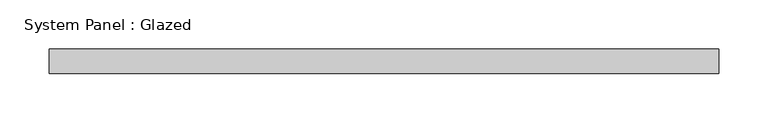
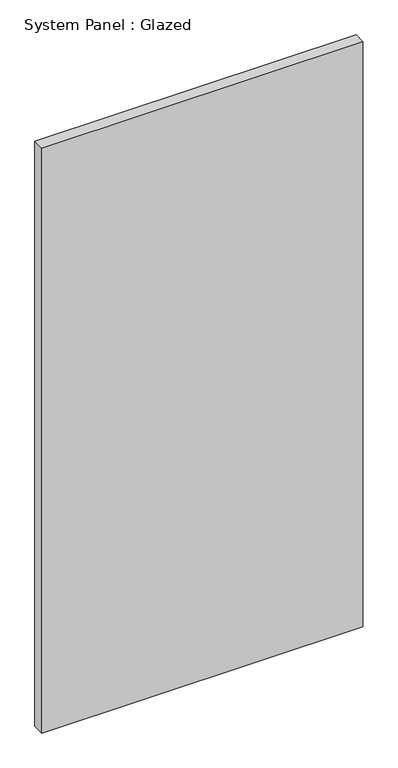
"""IFC4 building model written with IfcOpenShell, lengths in millimetres: plate geometry, System Panel : Glazed."""

import ifcopenshell
import ifcopenshell.guid

model = None  # the IFC model being written
_history = None  # IfcOwnerHistory: only IFC2X3 demands one
_inside = {}  # id of a spatial element -> (the spatial element, [elements in it])
_under = {}  # id of a project, library or spatial element -> (it, [spatial elements below it])
_declared = {}  # id of a project -> (the project, [libraries it declares])
_typed = {}  # id of a type object -> (the type object, [elements of that type])
_made_of = {}  # id of a material, layer set ... -> (it, [elements and type objects made of it])


def new_model(schema):
    """Start an empty IFC model of exactly this schema.

    Asked for "IFC4X3", IfcOpenShell would pick the latest addendum, in which some entities
    have other attributes; the version numbers below select the first issue.
    IFC2X3 requires an IfcOwnerHistory on every rooted entity: one is made here for all.
    """
    global model, _history
    if schema == "IFC4X3":
        model = ifcopenshell.file(schema_version=(4, 3, 0, 0))
    else:
        model = ifcopenshell.file(schema=schema)
    _inside.clear()
    _under.clear()
    _declared.clear()
    _typed.clear()
    _made_of.clear()
    _history = None
    if model.schema == "IFC2X3":
        org = make("IfcOrganization", Name="unknown")
        user = make(
            "IfcPersonAndOrganization",
            ThePerson=make("IfcPerson", FamilyName="unknown"),
            TheOrganization=org,
        )
        app = make(
            "IfcApplication",
            ApplicationDeveloper=org,
            Version="unknown",
            ApplicationFullName="unknown",
            ApplicationIdentifier="unknown",
        )
        _history = make(
            "IfcOwnerHistory",
            OwningUser=user,
            OwningApplication=app,
            ChangeAction="ADDED",
            CreationDate=0,
        )
    return model


def make(cls, **values):
    """One entity of the class cls with the attributes given. An attribute that is None is left unset."""
    return model.create_entity(
        cls, **{name: value for name, value in values.items() if value is not None}
    )


def rooted(cls, **values):
    """An entity with a GlobalId (a new one), such as an element, a storey or a relation."""
    return make(cls, GlobalId=ifcopenshell.guid.new(), OwnerHistory=_history, **values)


def si_unit(unit_type, name, prefix=None):
    """IfcSIUnit, for example si_unit("LENGTHUNIT", "METRE", prefix="MILLI")."""
    return make("IfcSIUnit", UnitType=unit_type, Prefix=prefix, Name=name)


def assignment(units):
    """IfcUnitAssignment: the units of a project."""
    return None if units is None else make("IfcUnitAssignment", Units=units)


def point(xyz):
    """IfcCartesianPoint."""
    return None if xyz is None else make("IfcCartesianPoint", Coordinates=xyz)


def direction(xyz):
    """IfcDirection."""
    return None if xyz is None else make("IfcDirection", DirectionRatios=xyz)


def frame(location, z_axis=None, x_axis=None):
    """IfcAxis2Placement3D, a coordinate frame: its origin and axes. An axis left out is left unset."""
    return make(
        "IfcAxis2Placement3D",
        Location=point(location),
        Axis=direction(z_axis),
        RefDirection=direction(x_axis),
    )


def origin():
    """The frame at (0, 0, 0) with its axes left unset."""
    return frame((0.0, 0.0, 0.0))


def origin_with_axes():
    """The frame at (0, 0, 0) with the z axis (0, 0, 1) and the x axis (1, 0, 0) written out."""
    return frame((0.0, 0.0, 0.0), z_axis=(0.0, 0.0, 1.0), x_axis=(1.0, 0.0, 0.0))


def place(relative_to, where):
    """IfcLocalPlacement: puts the frame where relative to a parent placement (None: the world)."""
    return make(
        "IfcLocalPlacement", PlacementRelTo=relative_to, RelativePlacement=where
    )


def context(
    kind, dimensions, precision=None, world=None, true_north=None, identifier=None
):
    """IfcGeometricRepresentationContext, for example the 3D "Model" context."""
    return make(
        "IfcGeometricRepresentationContext",
        ContextIdentifier=identifier,
        ContextType=kind,
        CoordinateSpaceDimension=dimensions,
        Precision=precision,
        WorldCoordinateSystem=world,
        TrueNorth=true_north,
    )


def project(units=None, contexts=None):
    """IfcProject with its units and contexts."""
    return rooted(
        "IfcProject",
        Name="project",
        RepresentationContexts=contexts,
        UnitsInContext=assignment(units),
    )


def spatial(cls, under=None, at=None, **own):
    """A site, building, storey or space (cls), placed at a placement, below another one or the project."""
    s = rooted(cls, ObjectPlacement=at, **own)
    if under is not None:
        _under.setdefault(under.id(), (under, []))[1].append(s)
    return s


def polyline(points):
    """IfcPolyline through the points."""
    return make("IfcPolyline", Points=[point(p) for p in points])


def outline(outer, holes=None, kind="AREA"):
    """IfcArbitraryClosedProfileDef: a profile drawn as a closed curve; with holes, ...WithVoids."""
    if holes is None:
        return make("IfcArbitraryClosedProfileDef", ProfileType=kind, OuterCurve=outer)
    return make(
        "IfcArbitraryProfileDefWithVoids",
        ProfileType=kind,
        OuterCurve=outer,
        InnerCurves=holes,
    )


def extrude(swept, where, along, depth):
    """IfcExtrudedAreaSolid: the profile swept, set in the frame where, extruded along a direction by depth."""
    return make(
        "IfcExtrudedAreaSolid",
        SweptArea=swept,
        Position=where,
        ExtrudedDirection=direction(along),
        Depth=depth,
    )


def shape(context_of_items, identifier, shape_type, items):
    """IfcShapeRepresentation: the items that make up one representation, for example the "Body"."""
    return make(
        "IfcShapeRepresentation",
        ContextOfItems=context_of_items,
        RepresentationIdentifier=identifier,
        RepresentationType=shape_type,
        Items=items,
    )


def source(mapping_origin, context_of_items, identifier, shape_type, items):
    """IfcRepresentationMap: a shape defined once, which mapped items show again and again."""
    return make(
        "IfcRepresentationMap",
        MappingOrigin=mapping_origin,
        MappedRepresentation=shape(context_of_items, identifier, shape_type, items),
    )


def transform(
    local_origin,
    x_axis=None,
    y_axis=None,
    z_axis=None,
    scale=None,
    scale2=None,
    scale3=None,
    uniform=True,
):
    """IfcCartesianTransformationOperator3D, or its non-uniform kind. x_axis, y_axis, z_axis: its Axis1, 2, 3."""
    if uniform:
        return make(
            "IfcCartesianTransformationOperator3D",
            Axis1=direction(x_axis),
            Axis2=direction(y_axis),
            LocalOrigin=point(local_origin),
            Scale=scale,
            Axis3=direction(z_axis),
        )
    return make(
        "IfcCartesianTransformationOperator3DnonUniform",
        Axis1=direction(x_axis),
        Axis2=direction(y_axis),
        LocalOrigin=point(local_origin),
        Scale=scale,
        Axis3=direction(z_axis),
        Scale2=scale2,
        Scale3=scale3,
    )


def mapped(mapping_source, mapping_target):
    """IfcMappedItem: shows the shape of a source again, moved by a transform."""
    return make(
        "IfcMappedItem", MappingSource=mapping_source, MappingTarget=mapping_target
    )


def made_of(thing, what):
    """Note that an element or type object is made of a material, layer set ...; save() writes the relation."""
    if what is not None:
        _made_of.setdefault(what.id(), (what, []))[1].append(thing)
    return thing


def element(
    cls,
    number,
    at=None,
    inside=None,
    cuts=None,
    type_object=None,
    material=None,
    context=None,
    identifier="Body",
    shape_type=None,
    held_by="IfcProductDefinitionShape",
    body=None,
    shapes=None,
    **own,
):
    """One element of the class cls, such as IfcWall. Its Tag is "e" and its number.

    at: its placement. inside: the storey or other place that contains it. cuts: it is an
    opening in that element (IfcRelVoidsElement). A single representation is given by context,
    identifier, shape_type and body (its items); several are given by shapes. held_by: the class
    of the entity that holds the representations. save() writes the other relations.
    """
    e = rooted(cls, Tag="e%d" % number, ObjectPlacement=at, **own)
    if body is not None:
        shapes = [shape(context, identifier, shape_type, body)]
    if shapes is not None:
        e.Representation = make(held_by, Representations=shapes)
    if inside is not None:
        _inside.setdefault(inside.id(), (inside, []))[1].append(e)
    if cuts is not None:
        rooted(
            "IfcRelVoidsElement", RelatingBuildingElement=cuts, RelatedOpeningElement=e
        )
    if type_object is not None:
        _typed.setdefault(type_object.id(), (type_object, []))[1].append(e)
    return made_of(e, material)


def aggregate(whole, parts):
    """IfcRelAggregates: a whole, such as a stair, and the parts it consists of."""
    return rooted("IfcRelAggregates", RelatingObject=whole, RelatedObjects=parts)


def save(model, path):
    """Write the relations noted so far, then the file.

    IfcRelAggregates (storeys below a building ...), IfcRelContainedInSpatialStructure (elements
    in a storey), IfcRelDefinesByType, IfcRelAssociatesMaterial and IfcRelDeclares: one each for
    every whole, place, type object, material and project.
    """
    for whole, parts in _under.values():
        aggregate(whole, parts)
    for where, things in _inside.values():
        rooted(
            "IfcRelContainedInSpatialStructure",
            RelatedElements=things,
            RelatingStructure=where,
        )
    for kind, things in _typed.values():
        rooted("IfcRelDefinesByType", RelatedObjects=things, RelatingType=kind)
    for what, things in _made_of.values():
        rooted("IfcRelAssociatesMaterial", RelatedObjects=things, RelatingMaterial=what)
    for by, libraries in _declared.values():
        rooted("IfcRelDeclares", RelatingContext=by, RelatedDefinitions=libraries)
    model.write(path)


def system_panel_glazed_808c51bf(model_context):
    return source(origin(), model_context, "Body", "SweptSolid", [
        extrude(outline(polyline([(341.3125, -12.7), (-341.3125, -12.7), (-341.3125, 12.7), (341.3125, 12.7), (341.3125, -12.7)])), origin_with_axes(), (0.0, 0.0, 1.0), 1314.45),
    ])


if __name__ == "__main__":
    model = new_model("IFC4")
    model_context = context("Model", 3, world=origin())
    ifc_project = project(units=[si_unit("LENGTHUNIT", "METRE", prefix="MILLI")], contexts=[model_context])
    site = spatial("IfcSite", under=ifc_project)
    building = spatial("IfcBuilding", under=site)
    placement = place(None, origin())
    system_panel_glazed_shape = system_panel_glazed_808c51bf(model_context)
    element("IfcPlate", 1, ObjectType="System Panel : Glazed", at=placement, inside=building, context=model_context, shape_type="MappedRepresentation", body=[
        mapped(system_panel_glazed_shape, transform((0.0, 0.0, 0.0), x_axis=(1.0, 0.0, 0.0), y_axis=(0.0, 1.0, 0.0), z_axis=(0.0, 0.0, 1.0))),
    ])
    save(model, "model.ifc")
